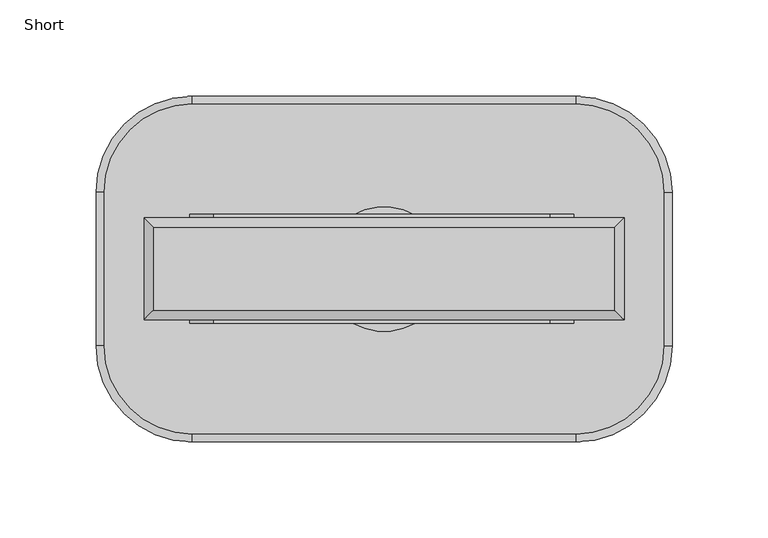
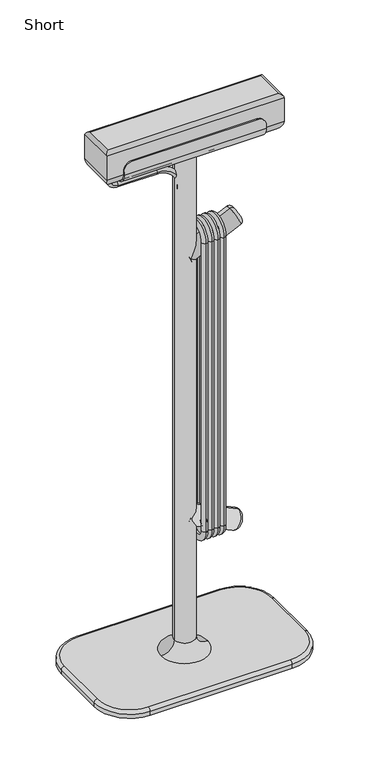
"""IFC4 building model written with IfcOpenShell, lengths in millimetres: furniture geometry, Short."""

from ifc_helpers import new_model, si_unit, point, frame, origin, place, context, project, spatial, polyline, circle_curve, ellipse_curve, trimmed, source, transform, mapped, element, save
from ifc_brep_helpers import plane_surface, cylinder_surface, revolved_surface, advanced_brep


def short_44f19cc5(model_context):
    return source(origin(), model_context, "Body", "AdvancedBrep", [
        advanced_brep(
        [(98.8922673, 26.5, 766.9), (98.8922673, 11.5, 751.9), (98.8922673, -11.5, 751.9), (98.8922673, -26.5, 766.9), (98.8922673, -26.5, 771.5), (98.8922673, -28.4, 771.5), (98.8922673, -28.4, 766.9010878), (98.8922673, -11.4989122, 750.0), (98.8922673, 11.5, 750.0), (98.8922673, 28.4, 766.9), (98.8922673, 28.4, 771.5), (98.8922673, 26.5, 771.5), (-101.1077081, 28.4, 766.9), (-101.1077081, 11.5, 750.0), (-101.1077081, -11.4989122, 750.0), (-101.1077081, -28.4, 766.9010878), (-101.1077081, -28.4, 771.5), (-101.1077081, -26.5, 771.5), (-101.1077081, -26.5, 766.9), (-101.1077081, -11.5, 751.9), (-101.1077081, 11.5, 751.9), (-101.1077081, 26.5, 766.9), (-101.1077081, 26.5, 771.5), (-101.1077081, 28.4, 771.5), (86.3922673, 26.5, 784.0), (-88.6077081, 26.5, 784.0), (-88.6077081, -26.5, 784.0), (86.3922673, -26.5, 784.0), (-88.6077081, -28.4, 784.0), (86.3922673, -28.4, 784.0), (-88.6077081, 28.4, 784.0), (86.3922673, 28.4, 784.0)],
        [
            (0, 1, circle_curve(frame((98.8922673, 11.5, 766.9), z_axis=(-1.0, 0.0, 0.0), x_axis=(0.0, 1.0, 0.0)), 15.0)),
            (1, 2),
            (2, 3, circle_curve(frame((98.8922673, -11.5, 766.9), z_axis=(-1.0, 0.0, 0.0), x_axis=(0.0, 1.0, 0.0)), 15.0)),
            (3, 4),
            (4, 5),
            (5, 6),
            (6, 7, circle_curve(frame((98.8922673, -11.4989122, 766.9010878), z_axis=(1.0, 0.0, 0.0), x_axis=(0.0, 1.0, 0.0)), 16.9010878)),
            (7, 8),
            (8, 9, circle_curve(frame((98.8922673, 11.5, 766.9), z_axis=(1.0, 0.0, 0.0), x_axis=(0.0, 1.0, 0.0)), 16.9)),
            (9, 10),
            (10, 11),
            (11, 0),
            (12, 13, circle_curve(frame((-101.1077081, 11.5, 766.9), z_axis=(-1.0, 0.0, 0.0), x_axis=(0.0, 1.0, 0.0)), 16.9)),
            (13, 14),
            (14, 15, circle_curve(frame((-101.1077081, -11.4989122, 766.9010878), z_axis=(-1.0, 0.0, 0.0), x_axis=(0.0, 1.0, 0.0)), 16.9010878)),
            (15, 16),
            (16, 17),
            (17, 18),
            (18, 19, circle_curve(frame((-101.1077081, -11.5, 766.9), z_axis=(1.0, 0.0, 0.0), x_axis=(0.0, 1.0, 0.0)), 15.0)),
            (19, 20),
            (20, 21, circle_curve(frame((-101.1077081, 11.5, 766.9), z_axis=(1.0, 0.0, 0.0), x_axis=(0.0, 1.0, 0.0)), 15.0)),
            (21, 22),
            (22, 23),
            (23, 12),
            (21, 0),
            (11, 24, circle_curve(frame((86.3922673, 26.5, 771.5), z_axis=(0.0, -1.0, 0.0), x_axis=(1.0, 0.0, 0.0)), 12.5)),
            (24, 25),
            (25, 22, circle_curve(frame((-88.6077081, 26.5, 771.5), z_axis=(0.0, -1.0, 0.0), x_axis=(1.0, 0.0, 0.0)), 12.5)),
            (20, 1),
            (19, 2),
            (18, 3),
            (17, 26, circle_curve(frame((-88.6077081, -26.5, 771.5), z_axis=(0.0, 1.0, 0.0), x_axis=(1.0, 0.0, 0.0)), 12.5)),
            (26, 27),
            (27, 4, circle_curve(frame((86.3922673, -26.5, 771.5), z_axis=(0.0, 1.0, 0.0), x_axis=(1.0, 0.0, 0.0)), 12.5)),
            (26, 28),
            (28, 29),
            (29, 27),
            (15, 6),
            (5, 29, circle_curve(frame((86.3922673, -28.4, 771.5), z_axis=(0.0, -1.0, 0.0), x_axis=(1.0, 0.0, 0.0)), 12.5)),
            (28, 16, circle_curve(frame((-88.6077081, -28.4, 771.5), z_axis=(0.0, -1.0, 0.0), x_axis=(1.0, 0.0, 0.0)), 12.5)),
            (14, 7),
            (13, 8),
            (12, 9),
            (23, 30, circle_curve(frame((-88.6077081, 28.4, 771.5), z_axis=(0.0, 1.0, 0.0), x_axis=(1.0, 0.0, 0.0)), 12.5)),
            (30, 31),
            (31, 10, circle_curve(frame((86.3922673, 28.4, 771.5), z_axis=(0.0, 1.0, 0.0), x_axis=(1.0, 0.0, 0.0)), 12.5)),
            (24, 31),
            (30, 25),
        ],
        [
            plane_surface(frame((98.8922673, 26.5, 784.0), z_axis=(1.0, 0.0, 0.0), x_axis=(0.0, 0.0, -1.0))),
            plane_surface(frame((-101.1077081, 26.5, 784.0), z_axis=(-1.0, 0.0, 0.0), x_axis=(0.0, 0.0, 1.0))),
            plane_surface(frame((98.8922673, 26.5, 784.0), z_axis=(0.0, -1.0, 0.0), x_axis=(-1.0, 0.0, 0.0))),
            revolved_surface(polyline([(-101.1077081, 26.5, 766.9), (98.89226729999999, 26.5, 766.9)]), (-101.1077081, 11.5, 766.9), (-1.0, 0.0, 0.0)),
            plane_surface(frame((98.8922673, 11.5, 751.9), z_axis=(0.0, 0.0, 1.0), x_axis=(-1.0, 0.0, 0.0))),
            revolved_surface(polyline([(-101.1077081, 3.5, 766.9), (98.89226729999999, 3.5, 766.9)]), (-101.1077081, -11.5, 766.9), (-1.0, 0.0, 0.0)),
            plane_surface(frame((98.8922673, -26.5, 766.9), z_axis=(0.0, 1.0, 0.0), x_axis=(-1.0, 0.0, 0.0))),
            plane_surface(frame((98.8922673, -26.5, 784.0), z_axis=(0.0, 0.0, 1.0), x_axis=(-1.0, 0.0, 0.0))),
            plane_surface(frame((98.8922673, -28.4, 784.0), z_axis=(0.0, -1.0, 0.0), x_axis=(-1.0, 0.0, 0.0))),
            cylinder_surface(frame((-101.1077081, -11.4989122, 766.9010878), z_axis=(1.0, 0.0, 0.0), x_axis=(0.0, 1.0, 0.0)), 16.9010878),
            plane_surface(frame((98.8922673, -11.4989122, 750.0), z_axis=(0.0, 0.0, -1.0), x_axis=(-1.0, 0.0, 0.0))),
            cylinder_surface(frame((-101.1077081, 11.5, 766.9), z_axis=(1.0, 0.0, 0.0), x_axis=(0.0, 1.0, 0.0)), 16.9),
            plane_surface(frame((98.8922673, 28.4, 766.9), z_axis=(0.0, 1.0, 0.0), x_axis=(-1.0, 0.0, 0.0))),
            plane_surface(frame((98.8922673, 28.4, 784.0), z_axis=(0.0, 0.0, 1.0), x_axis=(-1.0, 0.0, 0.0))),
            cylinder_surface(frame((-88.6077081, 90.0, 771.5), z_axis=(0.0, 1.0, 0.0), x_axis=(1.0, 0.0, 0.0)), 12.5),
            cylinder_surface(frame((86.3922673, 90.0, 771.5), z_axis=(0.0, 1.0, 0.0), x_axis=(1.0, 0.0, 0.0)), 12.5),
        ],
        [
            (0, [[1, 2, 3, 4, 5, 6, 7, 8, 9, 10, 11, 12]]),
            (1, [[13, 14, 15, 16, 17, 18, 19, 20, 21, 22, 23, 24]]),
            (2, [[25, -12, 26, 27, 28, -22]]),
            (3, [[-1, -25, -21, 29]]),
            (4, [[-2, -29, -20, 30]]),
            (5, [[-3, -30, -19, 31]]),
            (6, [[-31, -18, 32, 33, 34, -4]]),
            (7, [[-33, 35, 36, 37]]),
            (8, [[38, -6, 39, -36, 40, -16]]),
            (9, [[-7, -38, -15, 41]]),
            (10, [[-8, -41, -14, 42]]),
            (11, [[-9, -42, -13, 43]]),
            (12, [[-43, -24, 44, 45, 46, -10]]),
            (13, [[-27, 47, -45, 48]]),
            (14, [[-17, -40, -35, -32]]),
            (14, [[-23, -28, -48, -44]]),
            (15, [[-5, -34, -37, -39]]),
            (15, [[-11, -46, -47, -26]]),
        ],
    ),
        advanced_brep(
        [(-105.852797, 4.0, 765.8013473), (-105.852797, -4.0, 765.8013473), (-105.852797, 4.0, 744.9704551), (-105.852797, -4.0, 744.9704551), (-95.852797, -4.0, 734.9704551), (-95.852797, 4.0, 734.9704551), (-40.852797, 4.0, 734.9704551), (-40.852797, -4.0, 734.9704551), (-5.852797, -4.0, 699.9704551), (-5.852797, 4.0, 699.9704551), (-5.852797, 4.0, 696.8590643), (-5.852797, -4.0, 696.8590643)],
        [
            (0, 1, circle_curve(frame((-105.852797, 0.0, 765.8013473), z_axis=(0.0, 0.0, 1.0), x_axis=(0.0, -1.0, 0.0)), 4.0)),
            (1, 0, circle_curve(frame((-105.852797, 0.0, 765.8013473), z_axis=(0.0, 0.0, 1.0), x_axis=(0.0, -1.0, 0.0)), 4.0)),
            (0, 2),
            (2, 3, circle_curve(frame((-105.852797, 0.0, 744.9704551), z_axis=(0.0, 0.0, 1.0), x_axis=(0.0, -1.0, 0.0)), 4.0)),
            (3, 1),
            (3, 2, circle_curve(frame((-105.852797, 0.0, 744.9704551), z_axis=(0.0, 0.0, 1.0), x_axis=(0.0, -1.0, 0.0)), 4.0)),
            (4, 3, circle_curve(frame((-95.852797, -4.0, 744.9704551), z_axis=(0.0, 1.0, 0.0), x_axis=(-1.0, 0.0, 0.0)), 10.0)),
            (2, 5, circle_curve(frame((-95.852797, 4.0, 744.9704551), z_axis=(0.0, -1.0, 0.0), x_axis=(-1.0, 0.0, 0.0)), 10.0)),
            (5, 4, circle_curve(frame((-95.852797, 0.0, 734.9704551), z_axis=(-1.0, 0.0, 0.0), x_axis=(0.0, -1.0, 0.0)), 4.0)),
            (4, 5, circle_curve(frame((-95.852797, 0.0, 734.9704551), z_axis=(-1.0, 0.0, 0.0), x_axis=(0.0, -1.0, 0.0)), 4.0)),
            (5, 6),
            (6, 7, circle_curve(frame((-40.852797, 0.0, 734.9704551), z_axis=(-1.0, 0.0, 0.0), x_axis=(0.0, -1.0, 0.0)), 4.0)),
            (7, 4),
            (7, 6, circle_curve(frame((-40.852797, 0.0, 734.9704551), z_axis=(-1.0, 0.0, 0.0), x_axis=(0.0, -1.0, 0.0)), 4.0)),
            (8, 7, circle_curve(frame((-40.852797, -4.0, 699.9704551), z_axis=(0.0, -1.0, 0.0), x_axis=(0.0, 0.0, 1.0)), 35.0)),
            (6, 9, circle_curve(frame((-40.852797, 4.0, 699.9704551), z_axis=(0.0, 1.0, 0.0), x_axis=(0.0, 0.0, 1.0)), 35.0)),
            (9, 8, circle_curve(frame((-5.852797, 0.0, 699.9704551), z_axis=(0.0, 0.0, 1.0), x_axis=(0.0, -1.0, 0.0)), 4.0)),
            (8, 9, circle_curve(frame((-5.852797, 0.0, 699.9704551), z_axis=(0.0, 0.0, 1.0), x_axis=(0.0, -1.0, 0.0)), 4.0)),
            (10, 11, circle_curve(frame((-5.852797, 0.0, 696.8590643), z_axis=(0.0, 0.0, -1.0), x_axis=(0.0, -1.0, 0.0)), 4.0)),
            (11, 10, circle_curve(frame((-5.852797, 0.0, 696.8590643), z_axis=(0.0, 0.0, -1.0), x_axis=(0.0, -1.0, 0.0)), 4.0)),
            (9, 10),
            (11, 8),
        ],
        [
            plane_surface(frame((-105.852797, 0.0, 765.8013473), z_axis=(0.0, 0.0, 1.0), x_axis=(0.0, -1.0, 0.0))),
            cylinder_surface(frame((-105.852797, 0.0, 765.8013473), z_axis=(0.0, 0.0, 1.0), x_axis=(0.0, -1.0, 0.0)), 4.0),
            revolved_surface(trimmed(ellipse_curve(frame((-105.852797, 0.0, 744.9704551), z_axis=(0.0, 0.0, 1.0), x_axis=(0.0, -1.0, 0.0)), 4.0, 4.0), [point((-105.852797, 4.0, 744.9704551))], [point((-105.852797, -4.0, 744.9704551))], True, "CARTESIAN"), (-95.852797, 0.0, 744.9704551), (0.0, -1.0, 0.0)),
            revolved_surface(trimmed(ellipse_curve(frame((-105.852797, 0.0, 744.9704551), z_axis=(0.0, 0.0, 1.0), x_axis=(0.0, -1.0, 0.0)), 4.0, 4.0), [point((-105.852797, -4.0, 744.9704551))], [point((-105.852797, 4.0, 744.9704551))], True, "CARTESIAN"), (-95.852797, 0.0, 744.9704551), (0.0, -1.0, 0.0)),
            cylinder_surface(frame((-95.852797, 0.0, 734.9704551), z_axis=(-1.0, 0.0, 0.0), x_axis=(0.0, -1.0, 0.0)), 4.0),
            revolved_surface(trimmed(ellipse_curve(frame((-40.852797, 0.0, 734.9704551), z_axis=(-1.0, 0.0, 0.0), x_axis=(0.0, -1.0, 0.0)), 4.0, 4.0), [point((-40.852797, 4.0, 734.9704551))], [point((-40.852797, -4.0, 734.9704551))], True, "CARTESIAN"), (-40.852797, 0.0, 699.9704551), (0.0, 1.0, 0.0)),
            revolved_surface(trimmed(ellipse_curve(frame((-40.852797, 0.0, 734.9704551), z_axis=(-1.0, 0.0, 0.0), x_axis=(0.0, -1.0, 0.0)), 4.0, 4.0), [point((-40.852797, -4.0, 734.9704551))], [point((-40.852797, 4.0, 734.9704551))], True, "CARTESIAN"), (-40.852797, 0.0, 699.9704551), (0.0, 1.0, 0.0)),
            plane_surface(frame((-5.852797, 0.0, 696.8590643), z_axis=(0.0, 0.0, -1.0), x_axis=(0.0, -1.0, 0.0))),
            cylinder_surface(frame((-5.852797, 0.0, 699.9704551), z_axis=(0.0, 0.0, 1.0), x_axis=(0.0, -1.0, 0.0)), 4.0),
        ],
        [
            (0, [[1, 2]]),
            (1, [[-1, 3, 4, 5]]),
            (1, [[-2, -5, 6, -3]]),
            (2, [[7, -4, 8, 9]]),
            (3, [[-8, -6, -7, 10]]),
            (4, [[-9, 11, 12, 13]]),
            (4, [[-10, -13, 14, -11]]),
            (5, [[15, -12, 16, 17]]),
            (6, [[-16, -14, -15, 18]]),
            (7, [[19, 20]]),
            (8, [[-17, 21, -20, 22]]),
            (8, [[-18, -22, -19, -21]]),
        ],
    ),
        advanced_brep(
        [(5.9166557, 0.0, 585.2295086), (-5.9166557, 0.0, 610.6061266), (63.4618116, 0.0, 642.9578372), (75.2951229, 0.0, 617.5812192), (0.0, 0.0, 597.9178176), (77.7135705, 0.0, 624.2258494), (70.1064418, 0.0, 640.5393896), (73.9100062, 0.0, 632.3826195)],
        [
            (0, 1, circle_curve(frame((0.0, 0.0, 597.9178176), z_axis=(0.906307787036652, 0.0, 0.4226182617406954), x_axis=(-0.4226182617406953, 0.0, 0.9063077870366518)), 14.0)),
            (1, 2),
            (2, 3, circle_curve(frame((69.3784672, 0.0, 630.2695282), z_axis=(-0.906307787036652, 0.0, -0.4226182617406954), x_axis=(-0.4226182617406953, 0.0, 0.9063077870366518)), 14.0)),
            (3, 0),
            (1, 0, circle_curve(frame((0.0, 0.0, 597.9178176), z_axis=(0.906307787036652, 0.0, 0.4226182617406954), x_axis=(-0.4226182617406953, 0.0, 0.9063077870366518)), 14.0)),
            (3, 2, circle_curve(frame((69.3784672, 0.0, 630.2695282), z_axis=(-0.906307787036652, 0.0, -0.4226182617406954), x_axis=(-0.4226182617406953, 0.0, 0.9063077870366518)), 14.0)),
            (4, 1),
            (0, 4),
            (5, 6, circle_curve(frame((73.9100062, 0.0, 632.3826195), z_axis=(0.906307787036652, 0.0, 0.4226182617406954), x_axis=(-0.4226182617406953, 0.0, 0.9063077870366518)), 9.0)),
            (6, 7),
            (7, 5),
            (6, 5, circle_curve(frame((73.9100062, 0.0, 632.3826195), z_axis=(0.906307787036652, 0.0, 0.4226182617406954), x_axis=(-0.4226182617406953, 0.0, 0.9063077870366518)), 9.0)),
            (2, 6, circle_curve(frame((65.5749029, 0.0, 638.4262983), z_axis=(0.0, 1.0000000000000002, 0.0), x_axis=(1.0, 0.0, 0.0)), 5.0)),
            (5, 3, circle_curve(frame((73.1820316, 0.0, 622.1127581), z_axis=(0.0, 1.0000000000000002, 0.0), x_axis=(0.6427876096865464, 0.0, 0.7660444431189721)), 5.0)),
        ],
        [
            cylinder_surface(frame((82.973084, 0.0, 636.6088021), z_axis=(-0.9063077870366518, 0.0, -0.4226182617406953), x_axis=(-0.4226182617406953, 0.0, 0.9063077870366518)), 14.0),
            plane_surface(frame((0.0, 0.0, 597.9178176), z_axis=(-0.9063077870366519, 0.0, -0.42261826174069533), x_axis=(-0.42261826174069533, 0.0, 0.9063077870366519))),
            plane_surface(frame((73.9100062, 0.0, 632.3826195), z_axis=(0.9063077870366519, 0.0, 0.42261826174069533), x_axis=(-0.42261826174069533, 0.0, 0.9063077870366519))),
            revolved_surface(trimmed(ellipse_curve(frame((65.5749029, 0.0, 638.4262983), z_axis=(0.0, -1.0000000000000002, 0.0), x_axis=(1.0, 0.0, 0.0)), 5.0, 5.0), [point((70.1064418, 0.0, 640.5393896))], [point((63.4618116, 0.0, 642.9578372))], True, "CARTESIAN"), (82.973084, 0.0, 636.6088021), (-0.9063077870366518, 0.0, -0.4226182617406953)),
        ],
        [
            (0, [[1, 2, 3, 4]]),
            (0, [[5, -4, 6, -2]]),
            (1, [[7, -1, 8]]),
            (1, [[-8, -5, -7]]),
            (2, [[9, 10, 11]]),
            (2, [[12, -11, -10]]),
            (3, [[-3, 13, -9, 14]]),
            (3, [[-6, -14, -12, -13]]),
        ],
    ),
        advanced_brep(
        [(73.9100062, 0.0, 176.529813), (70.1064418, 0.0, 168.3730429), (77.7135705, 0.0, 184.6865831), (75.2951229, 0.0, 191.3312133), (63.4618116, 0.0, 165.9545953), (-5.9166557, 0.0, 198.3063059), (5.9166557, 0.0, 223.6829239), (0.0, 0.0, 210.9946149)],
        [
            (0, 1),
            (1, 2, circle_curve(frame((73.9100062, 0.0, 176.529813), z_axis=(0.9063077870366482, 0.0, -0.4226182617407033), x_axis=(-0.4226182617407033, 0.0, -0.9063077870366482)), 9.0)),
            (2, 0),
            (2, 1, circle_curve(frame((73.9100062, 0.0, 176.529813), z_axis=(0.9063077870366482, 0.0, -0.4226182617407033), x_axis=(-0.4226182617407033, 0.0, -0.9063077870366482)), 9.0)),
            (3, 4, circle_curve(frame((69.3784672, 0.0, 178.6429043), z_axis=(-0.9063077870366482, 0.0, 0.4226182617407033), x_axis=(-0.4226182617407033, 0.0, -0.9063077870366482)), 14.0)),
            (4, 5),
            (5, 6, circle_curve(frame((0.0, 0.0, 210.9946149), z_axis=(0.9063077870366482, 0.0, -0.4226182617407033), x_axis=(-0.4226182617407033, 0.0, -0.9063077870366482)), 14.0)),
            (6, 3),
            (4, 3, circle_curve(frame((69.3784672, 0.0, 178.6429043), z_axis=(-0.9063077870366482, 0.0, 0.4226182617407033), x_axis=(-0.4226182617407033, 0.0, -0.9063077870366482)), 14.0)),
            (6, 5, circle_curve(frame((0.0, 0.0, 210.9946149), z_axis=(0.9063077870366482, 0.0, -0.4226182617407033), x_axis=(-0.4226182617407033, 0.0, -0.9063077870366482)), 14.0)),
            (1, 4, circle_curve(frame((65.5749029, 0.0, 170.4861342), z_axis=(0.0, 1.0, 0.0), x_axis=(1.0, 0.0, 0.0)), 5.0)),
            (3, 2, circle_curve(frame((73.1820316, 0.0, 186.7996744), z_axis=(0.0, 1.0, 0.0), x_axis=(0.6427876096865328, 0.0, -0.7660444431189836)), 5.0)),
            (5, 7),
            (7, 6),
        ],
        [
            plane_surface(frame((73.9100062, 0.0, 176.529813), z_axis=(0.9063077870366482, 0.0, -0.4226182617407033), x_axis=(-0.4226182617407033, 0.0, -0.9063077870366482))),
            cylinder_surface(frame((78.4415451, 0.0, 174.4167217), z_axis=(0.9063077870366482, 0.0, -0.4226182617407033), x_axis=(-0.4226182617407033, 0.0, -0.9063077870366482)), 14.0),
            revolved_surface(trimmed(ellipse_curve(frame((65.5749029, 0.0, 170.4861342), z_axis=(0.0, -1.0, 0.0), x_axis=(1.0, 0.0, 0.0)), 5.0, 5.0), [point((63.4618116, 0.0, 165.9545953))], [point((70.1064418, 0.0, 168.3730429))], True, "CARTESIAN"), (78.4415451, 0.0, 174.4167217), (0.9063077870366482, 0.0, -0.4226182617407033)),
            plane_surface(frame((0.0, 0.0, 210.9946149), z_axis=(-0.9063077870366482, 0.0, 0.4226182617407033), x_axis=(-0.4226182617407033, 0.0, -0.9063077870366482))),
        ],
        [
            (0, [[1, 2, 3]]),
            (0, [[-3, 4, -1]]),
            (1, [[5, 6, 7, 8]]),
            (1, [[9, -8, 10, -6]]),
            (2, [[-2, 11, -5, 12]]),
            (2, [[-4, -12, -9, -11]]),
            (3, [[-7, 13, 14]]),
            (3, [[-10, -14, -13]]),
        ],
    ),
        advanced_brep(
        [(125.0, -26.5, 802.0), (125.0, -26.5, 766.9), (125.0, 26.5, 766.9), (125.0, 26.5, 802.0), (-125.0, 26.5, 802.0), (-125.0, 26.5, 766.9), (-125.0, -26.5, 766.9), (-125.0, -26.5, 802.0), (110.0, 11.5, 751.9), (110.0, -11.5, 751.9), (-110.0, -11.5, 751.9), (-110.0, 11.5, 751.9), (120.0, -21.5, 807.0), (120.0, 21.5, 807.0), (-120.0, 21.5, 807.0), (-120.0, -21.5, 807.0)],
        [
            (0, 1),
            (1, 2),
            (2, 3),
            (3, 0),
            (4, 5),
            (5, 6),
            (6, 7),
            (7, 4),
            (0, 7),
            (6, 1),
            (8, 9),
            (9, 10),
            (10, 11),
            (11, 8),
            (2, 5),
            (4, 3),
            (12, 13),
            (13, 14),
            (14, 15),
            (15, 12),
            (12, 0, ellipse_curve(frame((120.0, -21.5, 802.0), z_axis=(0.7071067811865475, 0.7071067811865475, 0.0), x_axis=(0.7071067811865474, -0.7071067811865476, 0.0)), 7.0710678, 5.0)),
            (3, 13, ellipse_curve(frame((120.0, 21.5, 802.0), z_axis=(0.7071067811865475, -0.7071067811865475, 0.0), x_axis=(-0.7071067811865474, -0.7071067811865476, 0.0)), 7.0710678, 5.0)),
            (1, 9, ellipse_curve(frame((110.0, -11.5, 766.9), z_axis=(0.7071067811865475, 0.7071067811865475, 0.0), x_axis=(0.7071067811865474, -0.7071067811865476, 0.0)), 21.2132034, 15.0)),
            (8, 2, ellipse_curve(frame((110.0, 11.5, 766.9), z_axis=(0.7071067811865475, -0.7071067811865475, 0.0), x_axis=(-0.7071067811865474, -0.7071067811865476, 0.0)), 21.2132034, 15.0)),
            (15, 7, ellipse_curve(frame((-120.0, -21.5, 802.0), z_axis=(0.7071067811865475, -0.7071067811865475, 0.0), x_axis=(-0.7071067811865476, -0.7071067811865474, 0.0)), 7.0710678, 5.0)),
            (6, 10, ellipse_curve(frame((-110.0, -11.5, 766.9), z_axis=(0.7071067811865475, -0.7071067811865475, 0.0), x_axis=(-0.7071067811865476, -0.7071067811865474, 0.0)), 21.2132034, 15.0)),
            (14, 4, ellipse_curve(frame((-120.0, 21.5, 802.0), z_axis=(-0.7071067811865475, -0.7071067811865475, 0.0), x_axis=(-0.7071067811865474, 0.7071067811865476, 0.0)), 7.0710678, 5.0)),
            (5, 11, ellipse_curve(frame((-110.0, 11.5, 766.9), z_axis=(-0.7071067811865475, -0.7071067811865475, 0.0), x_axis=(-0.7071067811865474, 0.7071067811865476, 0.0)), 21.2132034, 15.0)),
        ],
        [
            plane_surface(frame((125.0, -26.5, 807.0), z_axis=(1.0, 0.0, 0.0), x_axis=(0.0, 0.0, -1.0))),
            plane_surface(frame((-125.0, -26.5, 807.0), z_axis=(-1.0, 0.0, 0.0), x_axis=(0.0, 0.0, 1.0))),
            plane_surface(frame((125.0, -26.5, 807.0), z_axis=(0.0, -1.0, 0.0), x_axis=(-1.0, 0.0, 0.0))),
            plane_surface(frame((125.0, -26.5, 751.9), z_axis=(0.0, 0.0, -1.0), x_axis=(-1.0, 0.0, 0.0))),
            plane_surface(frame((125.0, 26.5, 751.9), z_axis=(0.0, 1.0, 0.0), x_axis=(-1.0, 0.0, 0.0))),
            plane_surface(frame((125.0, 26.5, 807.0), z_axis=(0.0, 0.0, 1.0), x_axis=(-1.0, 0.0, 0.0))),
            cylinder_surface(frame((120.0, 26.5, 802.0), z_axis=(0.0, -1.0, 0.0), x_axis=(1.0, 0.0, 0.0)), 5.0),
            cylinder_surface(frame((110.0, 26.5, 766.9), z_axis=(0.0, -1.0, 0.0), x_axis=(1.0, 0.0, 0.0)), 15.0),
            cylinder_surface(frame((125.0, -21.5, 802.0), z_axis=(-1.0, 0.0, 0.0), x_axis=(0.0, -1.0, 0.0)), 5.0),
            cylinder_surface(frame((125.0, -11.5, 766.9), z_axis=(-1.0, 0.0, 0.0), x_axis=(0.0, -1.0, 0.0)), 15.0),
            cylinder_surface(frame((-120.0, -26.5, 802.0), z_axis=(0.0, 1.0, 0.0), x_axis=(-1.0, 0.0, 0.0)), 5.0),
            cylinder_surface(frame((-110.0, -26.5, 766.9), z_axis=(0.0, 1.0, 0.0), x_axis=(-1.0, 0.0, 0.0)), 15.0),
            cylinder_surface(frame((-125.0, 21.5, 802.0), z_axis=(1.0, 0.0, 0.0), x_axis=(0.0, 1.0, 0.0)), 5.0),
            cylinder_surface(frame((-125.0, 11.5, 766.9), z_axis=(1.0, 0.0, 0.0), x_axis=(0.0, 1.0, 0.0)), 15.0),
        ],
        [
            (0, [[1, 2, 3, 4]]),
            (1, [[5, 6, 7, 8]]),
            (2, [[-1, 9, -7, 10]]),
            (3, [[11, 12, 13, 14]]),
            (4, [[-3, 15, -5, 16]]),
            (5, [[17, 18, 19, 20]]),
            (6, [[21, -4, 22, -17]]),
            (7, [[23, -11, 24, -2]]),
            (8, [[-21, -20, 25, -9]]),
            (9, [[-23, -10, 26, -12]]),
            (10, [[-25, -19, 27, -8]]),
            (11, [[-26, -6, 28, -13]]),
            (12, [[-22, -16, -27, -18]]),
            (13, [[-24, -14, -28, -15]]),
        ],
    ),
        advanced_brep(
        [(18.0, 22.0, 620.0), (18.0, -22.0, 620.0), (18.0, -14.0, 620.0), (18.0, 14.0, 620.0), (18.0, 14.0, 190.0), (18.0, 22.0, 190.0), (18.0, -22.0, 190.0), (18.0, -14.0, 190.0)],
        [
            (0, 1, circle_curve(frame((18.0, 0.0, 620.0), z_axis=(1.0, 0.0, 0.0), x_axis=(0.0, -1.0, 0.0)), 22.0)),
            (1, 2, circle_curve(frame((18.0, -18.0, 620.0), z_axis=(0.0, 0.0, 1.0), x_axis=(0.0, -1.0, 0.0)), 4.0)),
            (2, 3, circle_curve(frame((18.0, 0.0, 620.0), z_axis=(-1.0, 0.0, 0.0), x_axis=(0.0, -1.0, 0.0)), 14.0)),
            (3, 0, circle_curve(frame((18.0, 18.0, 620.0), z_axis=(0.0, 0.0, 1.0), x_axis=(0.0, 1.0, 0.0)), 4.0)),
            (2, 1, circle_curve(frame((18.0, -18.0, 620.0), z_axis=(0.0, 0.0, 1.0), x_axis=(0.0, -1.0, 0.0)), 4.0)),
            (0, 3, circle_curve(frame((18.0, 18.0, 620.0), z_axis=(0.0, 0.0, 1.0), x_axis=(0.0, 1.0, 0.0)), 4.0)),
            (3, 4),
            (4, 5, circle_curve(frame((18.0, 18.0, 190.0), z_axis=(0.0, 0.0, 1.0), x_axis=(0.0, 1.0, 0.0)), 4.0)),
            (5, 0),
            (5, 4, circle_curve(frame((18.0, 18.0, 190.0), z_axis=(0.0, 0.0, 1.0), x_axis=(0.0, 1.0, 0.0)), 4.0)),
            (6, 5, circle_curve(frame((18.0, 0.0, 190.0), z_axis=(1.0, 0.0, 0.0), x_axis=(0.0, 1.0, 0.0)), 22.0)),
            (4, 7, circle_curve(frame((18.0, 0.0, 190.0), z_axis=(-1.0, 0.0, 0.0), x_axis=(0.0, 1.0, 0.0)), 14.0)),
            (7, 6, circle_curve(frame((18.0, -18.0, 190.0), z_axis=(0.0, 0.0, -1.0), x_axis=(0.0, -1.0, 0.0)), 4.0)),
            (6, 7, circle_curve(frame((18.0, -18.0, 190.0), z_axis=(0.0, 0.0, -1.0), x_axis=(0.0, -1.0, 0.0)), 4.0)),
            (7, 2),
            (1, 6),
        ],
        [
            revolved_surface(trimmed(ellipse_curve(frame((18.0, -18.0, 620.0), z_axis=(0.0, 0.0, -1.0), x_axis=(0.0, -1.0, 0.0)), 4.0, 4.0), [point((18.0, -14.0, 620.0))], [point((18.0, -22.0, 620.0))], True, "CARTESIAN"), (18.0, 0.0, 620.0), (-1.0, 0.0, 0.0)),
            revolved_surface(trimmed(ellipse_curve(frame((18.0, -18.0, 620.0), z_axis=(0.0, 0.0, -1.0), x_axis=(0.0, -1.0, 0.0)), 4.0, 4.0), [point((18.0, -22.0, 620.0))], [point((18.0, -14.0, 620.0))], True, "CARTESIAN"), (18.0, 0.0, 620.0), (-1.0, 0.0, 0.0)),
            cylinder_surface(frame((18.0, 18.0, 620.0), z_axis=(0.0, 0.0, 1.0), x_axis=(0.0, 1.0, 0.0)), 4.0),
            revolved_surface(trimmed(ellipse_curve(frame((18.0, 18.0, 190.0), z_axis=(0.0, 0.0, 1.0), x_axis=(0.0, 1.0, 0.0)), 4.0, 4.0), [point((18.0, 14.0, 190.0))], [point((18.0, 22.0, 190.0))], True, "CARTESIAN"), (18.0, 0.0, 190.0), (-1.0, 0.0, 0.0)),
            revolved_surface(trimmed(ellipse_curve(frame((18.0, 18.0, 190.0), z_axis=(0.0, 0.0, 1.0), x_axis=(0.0, 1.0, 0.0)), 4.0, 4.0), [point((18.0, 22.0, 190.0))], [point((18.0, 14.0, 190.0))], True, "CARTESIAN"), (18.0, 0.0, 190.0), (-1.0, 0.0, 0.0)),
            cylinder_surface(frame((18.0, -18.0, 190.0), z_axis=(0.0, 0.0, -1.0), x_axis=(0.0, -1.0, 0.0)), 4.0),
        ],
        [
            (0, [[1, 2, 3, 4]]),
            (1, [[-3, 5, -1, 6]]),
            (2, [[-4, 7, 8, 9]]),
            (2, [[-6, -9, 10, -7]]),
            (3, [[11, -8, 12, 13]]),
            (4, [[-12, -10, -11, 14]]),
            (5, [[-13, 15, -2, 16]]),
            (5, [[-14, -16, -5, -15]]),
        ],
    ),
        advanced_brep(
        [(26.5, 22.0, 620.0), (26.5, -22.0, 620.0), (26.5, -14.0, 620.0), (26.5, 14.0, 620.0), (26.5, 14.0, 190.0), (26.5, 22.0, 190.0), (26.5, -22.0, 190.0), (26.5, -14.0, 190.0)],
        [
            (0, 1, circle_curve(frame((26.5, 0.0, 620.0), z_axis=(1.0, 0.0, 0.0), x_axis=(0.0, -1.0, 0.0)), 22.0)),
            (1, 2, circle_curve(frame((26.5, -18.0, 620.0), z_axis=(0.0, 0.0, 1.0), x_axis=(0.0, -1.0, 0.0)), 4.0)),
            (2, 3, circle_curve(frame((26.5, 0.0, 620.0), z_axis=(-1.0, 0.0, 0.0), x_axis=(0.0, -1.0, 0.0)), 14.0)),
            (3, 0, circle_curve(frame((26.5, 18.0, 620.0), z_axis=(0.0, 0.0, 1.0), x_axis=(0.0, 1.0, 0.0)), 4.0)),
            (2, 1, circle_curve(frame((26.5, -18.0, 620.0), z_axis=(0.0, 0.0, 1.0), x_axis=(0.0, -1.0, 0.0)), 4.0)),
            (0, 3, circle_curve(frame((26.5, 18.0, 620.0), z_axis=(0.0, 0.0, 1.0), x_axis=(0.0, 1.0, 0.0)), 4.0)),
            (3, 4),
            (4, 5, circle_curve(frame((26.5, 18.0, 190.0), z_axis=(0.0, 0.0, 1.0), x_axis=(0.0, 1.0, 0.0)), 4.0)),
            (5, 0),
            (5, 4, circle_curve(frame((26.5, 18.0, 190.0), z_axis=(0.0, 0.0, 1.0), x_axis=(0.0, 1.0, 0.0)), 4.0)),
            (6, 5, circle_curve(frame((26.5, 0.0, 190.0), z_axis=(1.0, 0.0, 0.0), x_axis=(0.0, 1.0, 0.0)), 22.0)),
            (4, 7, circle_curve(frame((26.5, 0.0, 190.0), z_axis=(-1.0, 0.0, 0.0), x_axis=(0.0, 1.0, 0.0)), 14.0)),
            (7, 6, circle_curve(frame((26.5, -18.0, 190.0), z_axis=(0.0, 0.0, -1.0), x_axis=(0.0, -1.0, 0.0)), 4.0)),
            (6, 7, circle_curve(frame((26.5, -18.0, 190.0), z_axis=(0.0, 0.0, -1.0), x_axis=(0.0, -1.0, 0.0)), 4.0)),
            (7, 2),
            (1, 6),
        ],
        [
            revolved_surface(trimmed(ellipse_curve(frame((26.5, -18.0, 620.0), z_axis=(0.0, 0.0, -1.0), x_axis=(0.0, -1.0, 0.0)), 4.0, 4.0), [point((26.5, -14.0, 620.0))], [point((26.5, -22.0, 620.0))], True, "CARTESIAN"), (18.0, 0.0, 620.0), (-1.0, 0.0, 0.0)),
            revolved_surface(trimmed(ellipse_curve(frame((26.5, -18.0, 620.0), z_axis=(0.0, 0.0, -1.0), x_axis=(0.0, -1.0, 0.0)), 4.0, 4.0), [point((26.5, -22.0, 620.0))], [point((26.5, -14.0, 620.0))], True, "CARTESIAN"), (18.0, 0.0, 620.0), (-1.0, 0.0, 0.0)),
            cylinder_surface(frame((26.5, 18.0, 620.0), z_axis=(0.0, 0.0, 1.0), x_axis=(0.0, 1.0, 0.0)), 4.0),
            revolved_surface(trimmed(ellipse_curve(frame((26.5, 18.0, 190.0), z_axis=(0.0, 0.0, 1.0), x_axis=(0.0, 1.0, 0.0)), 4.0, 4.0), [point((26.5, 14.0, 190.0))], [point((26.5, 22.0, 190.0))], True, "CARTESIAN"), (18.0, 0.0, 190.0), (-1.0, 0.0, 0.0)),
            revolved_surface(trimmed(ellipse_curve(frame((26.5, 18.0, 190.0), z_axis=(0.0, 0.0, 1.0), x_axis=(0.0, 1.0, 0.0)), 4.0, 4.0), [point((26.5, 22.0, 190.0))], [point((26.5, 14.0, 190.0))], True, "CARTESIAN"), (18.0, 0.0, 190.0), (-1.0, 0.0, 0.0)),
            cylinder_surface(frame((26.5, -18.0, 190.0), z_axis=(0.0, 0.0, -1.0), x_axis=(0.0, -1.0, 0.0)), 4.0),
        ],
        [
            (0, [[1, 2, 3, 4]]),
            (1, [[-3, 5, -1, 6]]),
            (2, [[-4, 7, 8, 9]]),
            (2, [[-6, -9, 10, -7]]),
            (3, [[11, -8, 12, 13]]),
            (4, [[-12, -10, -11, 14]]),
            (5, [[-13, 15, -2, 16]]),
            (5, [[-14, -16, -5, -15]]),
        ],
    ),
        advanced_brep(
        [(35.0, 22.0, 620.0), (35.0, -22.0, 620.0), (35.0, -14.0, 620.0), (35.0, 14.0, 620.0), (35.0, 14.0, 190.0), (35.0, 22.0, 190.0), (35.0, -22.0, 190.0), (35.0, -14.0, 190.0)],
        [
            (0, 1, circle_curve(frame((35.0, 0.0, 620.0), z_axis=(1.0, 0.0, 0.0), x_axis=(0.0, -1.0, 0.0)), 22.0)),
            (1, 2, circle_curve(frame((35.0, -18.0, 620.0), z_axis=(0.0, 0.0, 1.0), x_axis=(0.0, -1.0, 0.0)), 4.0)),
            (2, 3, circle_curve(frame((35.0, 0.0, 620.0), z_axis=(-1.0, 0.0, 0.0), x_axis=(0.0, -1.0, 0.0)), 14.0)),
            (3, 0, circle_curve(frame((35.0, 18.0, 620.0), z_axis=(0.0, 0.0, 1.0), x_axis=(0.0, 1.0, 0.0)), 4.0)),
            (2, 1, circle_curve(frame((35.0, -18.0, 620.0), z_axis=(0.0, 0.0, 1.0), x_axis=(0.0, -1.0, 0.0)), 4.0)),
            (0, 3, circle_curve(frame((35.0, 18.0, 620.0), z_axis=(0.0, 0.0, 1.0), x_axis=(0.0, 1.0, 0.0)), 4.0)),
            (3, 4),
            (4, 5, circle_curve(frame((35.0, 18.0, 190.0), z_axis=(0.0, 0.0, 1.0), x_axis=(0.0, 1.0, 0.0)), 4.0)),
            (5, 0),
            (5, 4, circle_curve(frame((35.0, 18.0, 190.0), z_axis=(0.0, 0.0, 1.0), x_axis=(0.0, 1.0, 0.0)), 4.0)),
            (6, 5, circle_curve(frame((35.0, 0.0, 190.0), z_axis=(1.0, 0.0, 0.0), x_axis=(0.0, 1.0, 0.0)), 22.0)),
            (4, 7, circle_curve(frame((35.0, 0.0, 190.0), z_axis=(-1.0, 0.0, 0.0), x_axis=(0.0, 1.0, 0.0)), 14.0)),
            (7, 6, circle_curve(frame((35.0, -18.0, 190.0), z_axis=(0.0, 0.0, -1.0), x_axis=(0.0, -1.0, 0.0)), 4.0)),
            (6, 7, circle_curve(frame((35.0, -18.0, 190.0), z_axis=(0.0, 0.0, -1.0), x_axis=(0.0, -1.0, 0.0)), 4.0)),
            (7, 2),
            (1, 6),
        ],
        [
            revolved_surface(trimmed(ellipse_curve(frame((35.0, -18.0, 620.0), z_axis=(0.0, 0.0, -1.0), x_axis=(0.0, -1.0, 0.0)), 4.0, 4.0), [point((35.0, -14.0, 620.0))], [point((35.0, -22.0, 620.0))], True, "CARTESIAN"), (18.0, 0.0, 620.0), (-1.0, 0.0, 0.0)),
            revolved_surface(trimmed(ellipse_curve(frame((35.0, -18.0, 620.0), z_axis=(0.0, 0.0, -1.0), x_axis=(0.0, -1.0, 0.0)), 4.0, 4.0), [point((35.0, -22.0, 620.0))], [point((35.0, -14.0, 620.0))], True, "CARTESIAN"), (18.0, 0.0, 620.0), (-1.0, 0.0, 0.0)),
            cylinder_surface(frame((35.0, 18.0, 620.0), z_axis=(0.0, 0.0, 1.0), x_axis=(0.0, 1.0, 0.0)), 4.0),
            revolved_surface(trimmed(ellipse_curve(frame((35.0, 18.0, 190.0), z_axis=(0.0, 0.0, 1.0), x_axis=(0.0, 1.0, 0.0)), 4.0, 4.0), [point((35.0, 14.0, 190.0))], [point((35.0, 22.0, 190.0))], True, "CARTESIAN"), (18.0, 0.0, 190.0), (-1.0, 0.0, 0.0)),
            revolved_surface(trimmed(ellipse_curve(frame((35.0, 18.0, 190.0), z_axis=(0.0, 0.0, 1.0), x_axis=(0.0, 1.0, 0.0)), 4.0, 4.0), [point((35.0, 22.0, 190.0))], [point((35.0, 14.0, 190.0))], True, "CARTESIAN"), (18.0, 0.0, 190.0), (-1.0, 0.0, 0.0)),
            cylinder_surface(frame((35.0, -18.0, 190.0), z_axis=(0.0, 0.0, -1.0), x_axis=(0.0, -1.0, 0.0)), 4.0),
        ],
        [
            (0, [[1, 2, 3, 4]]),
            (1, [[-3, 5, -1, 6]]),
            (2, [[-4, 7, 8, 9]]),
            (2, [[-6, -9, 10, -7]]),
            (3, [[11, -8, 12, 13]]),
            (4, [[-12, -10, -11, 14]]),
            (5, [[-13, 15, -2, 16]]),
            (5, [[-14, -16, -5, -15]]),
        ],
    ),
        advanced_brep(
        [(43.5, 22.0, 620.0), (43.5, -22.0, 620.0), (43.5, -14.0, 620.0), (43.5, 14.0, 620.0), (43.5, 14.0, 190.0), (43.5, 22.0, 190.0), (43.5, -22.0, 190.0), (43.5, -14.0, 190.0)],
        [
            (0, 1, circle_curve(frame((43.5, 0.0, 620.0), z_axis=(1.0, 0.0, 0.0), x_axis=(0.0, -1.0, 0.0)), 22.0)),
            (1, 2, circle_curve(frame((43.5, -18.0, 620.0), z_axis=(0.0, 0.0, 1.0), x_axis=(0.0, -1.0, 0.0)), 4.0)),
            (2, 3, circle_curve(frame((43.5, 0.0, 620.0), z_axis=(-1.0, 0.0, 0.0), x_axis=(0.0, -1.0, 0.0)), 14.0)),
            (3, 0, circle_curve(frame((43.5, 18.0, 620.0), z_axis=(0.0, 0.0, 1.0), x_axis=(0.0, 1.0, 0.0)), 4.0)),
            (2, 1, circle_curve(frame((43.5, -18.0, 620.0), z_axis=(0.0, 0.0, 1.0), x_axis=(0.0, -1.0, 0.0)), 4.0)),
            (0, 3, circle_curve(frame((43.5, 18.0, 620.0), z_axis=(0.0, 0.0, 1.0), x_axis=(0.0, 1.0, 0.0)), 4.0)),
            (3, 4),
            (4, 5, circle_curve(frame((43.5, 18.0, 190.0), z_axis=(0.0, 0.0, 1.0), x_axis=(0.0, 1.0, 0.0)), 4.0)),
            (5, 0),
            (5, 4, circle_curve(frame((43.5, 18.0, 190.0), z_axis=(0.0, 0.0, 1.0), x_axis=(0.0, 1.0, 0.0)), 4.0)),
            (6, 5, circle_curve(frame((43.5, 0.0, 190.0), z_axis=(1.0, 0.0, 0.0), x_axis=(0.0, 1.0, 0.0)), 22.0)),
            (4, 7, circle_curve(frame((43.5, 0.0, 190.0), z_axis=(-1.0, 0.0, 0.0), x_axis=(0.0, 1.0, 0.0)), 14.0)),
            (7, 6, circle_curve(frame((43.5, -18.0, 190.0), z_axis=(0.0, 0.0, -1.0), x_axis=(0.0, -1.0, 0.0)), 4.0)),
            (6, 7, circle_curve(frame((43.5, -18.0, 190.0), z_axis=(0.0, 0.0, -1.0), x_axis=(0.0, -1.0, 0.0)), 4.0)),
            (7, 2),
            (1, 6),
        ],
        [
            revolved_surface(trimmed(ellipse_curve(frame((43.5, -18.0, 620.0), z_axis=(0.0, 0.0, -1.0), x_axis=(0.0, -1.0, 0.0)), 4.0, 4.0), [point((43.5, -14.0, 620.0))], [point((43.5, -22.0, 620.0))], True, "CARTESIAN"), (18.0, 0.0, 620.0), (-1.0, 0.0, 0.0)),
            revolved_surface(trimmed(ellipse_curve(frame((43.5, -18.0, 620.0), z_axis=(0.0, 0.0, -1.0), x_axis=(0.0, -1.0, 0.0)), 4.0, 4.0), [point((43.5, -22.0, 620.0))], [point((43.5, -14.0, 620.0))], True, "CARTESIAN"), (18.0, 0.0, 620.0), (-1.0, 0.0, 0.0)),
            cylinder_surface(frame((43.5, 18.0, 620.0), z_axis=(0.0, 0.0, 1.0), x_axis=(0.0, 1.0, 0.0)), 4.0),
            revolved_surface(trimmed(ellipse_curve(frame((43.5, 18.0, 190.0), z_axis=(0.0, 0.0, 1.0), x_axis=(0.0, 1.0, 0.0)), 4.0, 4.0), [point((43.5, 14.0, 190.0))], [point((43.5, 22.0, 190.0))], True, "CARTESIAN"), (18.0, 0.0, 190.0), (-1.0, 0.0, 0.0)),
            revolved_surface(trimmed(ellipse_curve(frame((43.5, 18.0, 190.0), z_axis=(0.0, 0.0, 1.0), x_axis=(0.0, 1.0, 0.0)), 4.0, 4.0), [point((43.5, 22.0, 190.0))], [point((43.5, 14.0, 190.0))], True, "CARTESIAN"), (18.0, 0.0, 190.0), (-1.0, 0.0, 0.0)),
            cylinder_surface(frame((43.5, -18.0, 190.0), z_axis=(0.0, 0.0, -1.0), x_axis=(0.0, -1.0, 0.0)), 4.0),
        ],
        [
            (0, [[1, 2, 3, 4]]),
            (1, [[-3, 5, -1, 6]]),
            (2, [[-4, 7, 8, 9]]),
            (2, [[-6, -9, 10, -7]]),
            (3, [[11, -8, 12, 13]]),
            (4, [[-12, -10, -11, 14]]),
            (5, [[-13, 15, -2, 16]]),
            (5, [[-14, -16, -5, -15]]),
        ],
    ),
        advanced_brep(
        [(150.0, 40.0, 6.0), (100.0, 90.0, 6.0), (100.0, 86.0, 10.0), (146.0, 40.0, 10.0), (150.0, 40.0, 0.0), (100.0, 90.0, 0.0), (146.0, -40.0, 10.0), (150.0, -40.0, 6.0), (150.0, -40.0, 0.0), (100.0, -86.0, 10.0), (100.0, -90.0, 6.0), (100.0, -90.0, 0.0), (-100.0, -86.0, 10.0), (-100.0, -90.0, 6.0), (-100.0, -90.0, 0.0), (-146.0, -40.0, 10.0), (-150.0, -40.0, 6.0), (-150.0, -40.0, 0.0), (-146.0, 40.0, 10.0), (-150.0, 40.0, 6.0), (-150.0, 40.0, 0.0), (-100.0, 86.0, 10.0), (-100.0, 90.0, 6.0), (-100.0, 90.0, 0.0), (-32.5, 0.0, 10.0), (32.5, 0.0, 10.0), (14.5, 0.0, 750.0), (-14.5, 0.0, 750.0), (0.0, 0.0, 750.0), (14.5, 0.0, 28.0), (-14.5, 0.0, 28.0)],
        [
            (0, 1, circle_curve(frame((100.0, 40.0, 6.0), z_axis=(0.0, 0.0, 1.0), x_axis=(0.0, 1.0, 0.0)), 50.0)),
            (1, 2, circle_curve(frame((100.0, 86.0, 6.0), z_axis=(1.0, 0.0, 0.0), x_axis=(0.0, 1.0, 0.0)), 4.0)),
            (2, 3, circle_curve(frame((100.0, 40.0, 10.0), z_axis=(0.0, 0.0, -1.0), x_axis=(0.0, 1.0, 0.0)), 46.0)),
            (3, 0, circle_curve(frame((146.0, 40.0, 6.0), z_axis=(0.0, 1.0, 0.0), x_axis=(1.0, 0.0, 0.0)), 4.0)),
            (0, 4),
            (4, 5, circle_curve(frame((100.0, 40.0, 0.0), z_axis=(0.0, 0.0, 1.0), x_axis=(0.0, 1.0, 0.0)), 50.0)),
            (5, 1),
            (3, 6),
            (6, 7, circle_curve(frame((146.0, -40.0, 6.0), z_axis=(0.0, 1.0, 0.0), x_axis=(1.0, 0.0, 0.0)), 4.0)),
            (7, 0),
            (7, 8),
            (8, 4),
            (6, 9, circle_curve(frame((100.0, -40.0, 10.0), z_axis=(0.0, 0.0, -1.0), x_axis=(1.0, 0.0, 0.0)), 46.0)),
            (9, 10, circle_curve(frame((100.0, -86.0, 6.0), z_axis=(1.0, 0.0, 0.0), x_axis=(0.0, -1.0, 0.0)), 4.0)),
            (10, 7, circle_curve(frame((100.0, -40.0, 6.0), z_axis=(0.0, 0.0, 1.0), x_axis=(1.0, 0.0, 0.0)), 50.0)),
            (10, 11),
            (11, 8, circle_curve(frame((100.0, -40.0, 0.0), z_axis=(0.0, 0.0, 1.0), x_axis=(1.0, 0.0, 0.0)), 50.0)),
            (9, 12),
            (12, 13, circle_curve(frame((-100.0, -86.0, 6.0), z_axis=(1.0, 0.0, 0.0), x_axis=(0.0, -1.0, 0.0)), 4.0)),
            (13, 10),
            (13, 14),
            (14, 11),
            (12, 15, circle_curve(frame((-100.0, -40.0, 10.0), z_axis=(0.0, 0.0, -1.0), x_axis=(0.0, -1.0, 0.0)), 46.0)),
            (15, 16, circle_curve(frame((-146.0, -40.0, 6.0), z_axis=(0.0, -1.0, 0.0), x_axis=(-1.0, 0.0, 0.0)), 4.0)),
            (16, 13, circle_curve(frame((-100.0, -40.0, 6.0), z_axis=(0.0, 0.0, 1.0), x_axis=(0.0, -1.0, 0.0)), 50.0)),
            (16, 17),
            (17, 14, circle_curve(frame((-100.0, -40.0, 0.0), z_axis=(0.0, 0.0, 1.0), x_axis=(0.0, -1.0, 0.0)), 50.0)),
            (15, 18),
            (18, 19, circle_curve(frame((-146.0, 40.0, 6.0), z_axis=(0.0, -1.0, 0.0), x_axis=(-1.0, 0.0, 0.0)), 4.0)),
            (19, 16),
            (19, 20),
            (20, 17),
            (18, 21, circle_curve(frame((-100.0, 40.0, 10.0), z_axis=(0.0, 0.0, -1.0), x_axis=(-1.0, 0.0, 0.0)), 46.0)),
            (21, 22, circle_curve(frame((-100.0, 86.0, 6.0), z_axis=(-1.0, 0.0, 0.0), x_axis=(0.0, 1.0, 0.0)), 4.0)),
            (22, 19, circle_curve(frame((-100.0, 40.0, 6.0), z_axis=(0.0, 0.0, 1.0), x_axis=(-1.0, 0.0, 0.0)), 50.0)),
            (22, 23),
            (23, 20, circle_curve(frame((-100.0, 40.0, 0.0), z_axis=(0.0, 0.0, 1.0), x_axis=(-1.0, 0.0, 0.0)), 50.0)),
            (1, 22),
            (21, 2),
            (5, 23),
            (24, 25, circle_curve(frame((0.0, 0.0, 10.0), z_axis=(0.0, 0.0, -1.0), x_axis=(-1.0, 0.0, 0.0)), 32.5)),
            (25, 24, circle_curve(frame((0.0, 0.0, 10.0), z_axis=(0.0, 0.0, -1.0), x_axis=(-1.0, 0.0, 0.0)), 32.5)),
            (26, 27, circle_curve(frame((0.0, 0.0, 750.0), z_axis=(0.0, 0.0, 1.0), x_axis=(-1.0, 0.0, 0.0)), 14.5)),
            (27, 28),
            (28, 26),
            (27, 26, circle_curve(frame((0.0, 0.0, 750.0), z_axis=(0.0, 0.0, 1.0), x_axis=(-1.0, 0.0, 0.0)), 14.5)),
            (26, 29),
            (29, 30, circle_curve(frame((0.0, 0.0, 28.0), z_axis=(0.0, 0.0, 1.0), x_axis=(-1.0, 0.0, 0.0)), 14.5)),
            (30, 27),
            (30, 29, circle_curve(frame((0.0, 0.0, 28.0), z_axis=(0.0, 0.0, 1.0), x_axis=(-1.0, 0.0, 0.0)), 14.5)),
            (29, 25, circle_curve(frame((32.5, 0.0, 28.0), z_axis=(0.0, -1.0, 0.0), x_axis=(-1.0, 0.0, 0.0)), 18.0)),
            (24, 30, circle_curve(frame((-32.5, 0.0, 28.0), z_axis=(0.0, -1.0, 0.0), x_axis=(1.0, 0.0, 0.0)), 18.0)),
        ],
        [
            revolved_surface(trimmed(ellipse_curve(frame((100.0, 86.0, 6.0), z_axis=(-1.0, 0.0, 0.0), x_axis=(0.0, 1.0, 0.0)), 4.0, 4.0), [point((100.0, 86.0, 10.0))], [point((100.0, 90.0, 6.0))], True, "CARTESIAN"), (100.0, 40.0, 0.0), (0.0, 0.0, -1.0)),
            cylinder_surface(frame((100.0, 40.0, 0.0), z_axis=(0.0, 0.0, -1.0), x_axis=(0.0, 1.0, 0.0)), 50.0),
            cylinder_surface(frame((146.0, 40.0, 6.0), z_axis=(0.0, 1.0, 0.0), x_axis=(1.0, 0.0, 0.0)), 4.0),
            plane_surface(frame((150.0, 40.0, 6.0), z_axis=(1.0, 0.0, 0.0), x_axis=(0.0, -1.0, 0.0))),
            revolved_surface(trimmed(ellipse_curve(frame((146.0, -40.0, 6.0), z_axis=(0.0, 1.0, 0.0), x_axis=(1.0, 0.0, 0.0)), 4.0, 4.0), [point((146.0, -40.0, 10.0))], [point((150.0, -40.0, 6.0))], True, "CARTESIAN"), (100.0, -40.0, 0.0), (0.0, 0.0, -1.0)),
            cylinder_surface(frame((100.0, -40.0, 0.0), z_axis=(0.0, 0.0, -1.0), x_axis=(1.0, 0.0, 0.0)), 50.0),
            cylinder_surface(frame((100.0, -86.0, 6.0), z_axis=(1.0, 0.0, 0.0), x_axis=(0.0, -1.0, 0.0)), 4.0),
            plane_surface(frame((100.0, -90.0, 6.0), z_axis=(0.0, -1.0, 0.0), x_axis=(-1.0, 0.0, 0.0))),
            revolved_surface(trimmed(ellipse_curve(frame((-100.0, -86.0, 6.0), z_axis=(1.0, 0.0, 0.0), x_axis=(0.0, -1.0, 0.0)), 4.0, 4.0), [point((-100.0, -86.0, 10.0))], [point((-100.0, -90.0, 6.0))], True, "CARTESIAN"), (-100.0, -40.0, 0.0), (0.0, 0.0, -1.0)),
            cylinder_surface(frame((-100.0, -40.0, 0.0), z_axis=(0.0, 0.0, -1.0), x_axis=(0.0, -1.0, 0.0)), 50.0),
            cylinder_surface(frame((-146.0, -40.0, 6.0), z_axis=(0.0, -1.0, 0.0), x_axis=(-1.0, 0.0, 0.0)), 4.0),
            plane_surface(frame((-150.0, -40.0, 6.0), z_axis=(-1.0, 0.0, 0.0), x_axis=(0.0, 1.0, 0.0))),
            revolved_surface(trimmed(ellipse_curve(frame((-146.0, 40.0, 6.0), z_axis=(0.0, -1.0, 0.0), x_axis=(-1.0, 0.0, 0.0)), 4.0, 4.0), [point((-146.0, 40.0, 10.0))], [point((-150.0, 40.0, 6.0))], True, "CARTESIAN"), (-100.0, 40.0, 0.0), (0.0, 0.0, -1.0)),
            cylinder_surface(frame((-100.0, 40.0, 0.0), z_axis=(0.0, 0.0, -1.0), x_axis=(-1.0, 0.0, 0.0)), 50.0),
            cylinder_surface(frame((-100.0, 86.0, 6.0), z_axis=(-1.0, 0.0, 0.0), x_axis=(0.0, 1.0, 0.0)), 4.0),
            plane_surface(frame((-100.0, 90.0, 6.0), z_axis=(0.0, 1.0, 0.0), x_axis=(1.0, 0.0, 0.0))),
            plane_surface(frame((-100.0, 90.0, 0.0), z_axis=(0.0, 0.0, -1.0), x_axis=(1.0, 0.0, 0.0))),
            plane_surface(frame((-100.0, 75.0, 10.0), z_axis=(0.0, 0.0, 1.0), x_axis=(1.0, 0.0, 0.0))),
            plane_surface(frame((0.0, 0.0, 750.0), z_axis=(0.0, 0.0, 1.0), x_axis=(-1.0, 0.0, 0.0))),
            cylinder_surface(frame((0.0, 0.0, -30.0), z_axis=(0.0, 0.0, -1.0), x_axis=(-1.0, 0.0, 0.0)), 14.5),
            revolved_surface(trimmed(ellipse_curve(frame((-32.5, 0.0, 28.0), z_axis=(0.0, 1.0, 0.0), x_axis=(1.0, 0.0, 0.0)), 18.0, 18.0), [point((-14.5, 0.0, 28.0))], [point((-32.5, 0.0, 10.0))], True, "CARTESIAN"), (0.0, 0.0, -30.0), (0.0, 0.0, -1.0)),
        ],
        [
            (0, [[1, 2, 3, 4]]),
            (1, [[-1, 5, 6, 7]]),
            (2, [[-4, 8, 9, 10]]),
            (3, [[-5, -10, 11, 12]]),
            (4, [[-9, 13, 14, 15]]),
            (5, [[-11, -15, 16, 17]]),
            (6, [[-14, 18, 19, 20]]),
            (7, [[-16, -20, 21, 22]]),
            (8, [[-19, 23, 24, 25]]),
            (9, [[-21, -25, 26, 27]]),
            (10, [[-24, 28, 29, 30]]),
            (11, [[-26, -30, 31, 32]]),
            (12, [[-29, 33, 34, 35]]),
            (13, [[-31, -35, 36, 37]]),
            (14, [[-2, 38, -34, 39]]),
            (15, [[-7, 40, -36, -38]]),
            (16, [[-6, -12, -17, -22, -27, -32, -37, -40]]),
            (17, [[-3, -39, -33, -28, -23, -18, -13, -8], [41, 42]]),
            (18, [[43, 44, 45]]),
            (18, [[-44, 46, -45]]),
            (19, [[-43, 47, 48, 49]]),
            (19, [[-46, -49, 50, -47]]),
            (20, [[-48, 51, -41, 52]]),
            (20, [[-50, -52, -42, -51]]),
        ],
    ),
    ])


if __name__ == "__main__":
    model = new_model("IFC4")
    model_context = context("Model", 3, world=origin())
    ifc_project = project(units=[si_unit("LENGTHUNIT", "METRE", prefix="MILLI")], contexts=[model_context])
    site = spatial("IfcSite", under=ifc_project)
    building = spatial("IfcBuilding", under=site)
    placement = place(None, origin())
    short_shape = short_44f19cc5(model_context)
    element("IfcFurniture", 1, ObjectType="Short", at=placement, inside=building, context=model_context, shape_type="MappedRepresentation", body=[
        mapped(short_shape, transform((0.0, 0.0, 0.0), x_axis=(1.0, 0.0, 0.0), y_axis=(0.0, 1.0, 0.0), z_axis=(0.0, 0.0, 1.0))),
    ])
    save(model, "model.ifc")
